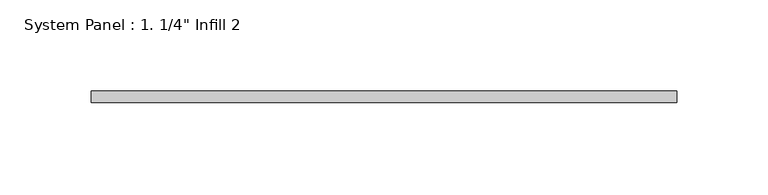
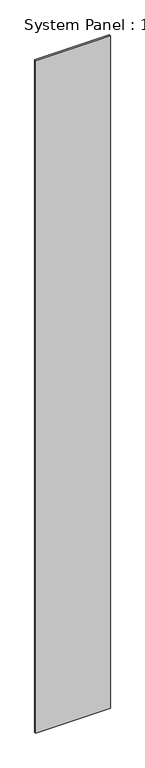
"""IFC4 building model written with IfcOpenShell, lengths in millimetres: plate geometry."""

from ifc_helpers import new_model, si_unit, origin, origin_with_axes, place, context, project, spatial, polyline, outline, extrude, source, transform, mapped, element, save


def plate_3fa92c4c(model_context):
    return source(origin(), model_context, "Body", "SweptSolid", [
        extrude(outline(polyline([(160.3375566, -6.35), (-160.3375566, -6.35), (-160.3375566, 0.0), (160.3375566, 0.0), (160.3375566, -6.35)])), origin_with_axes(), (0.0, 0.0, 1.0), 3048.0),
    ])


if __name__ == "__main__":
    model = new_model("IFC4")
    model_context = context("Model", 3, world=origin())
    ifc_project = project(units=[si_unit("LENGTHUNIT", "METRE", prefix="MILLI")], contexts=[model_context])
    site = spatial("IfcSite", under=ifc_project)
    building = spatial("IfcBuilding", under=site)
    placement = place(None, origin())
    plate_shape = plate_3fa92c4c(model_context)
    element("IfcPlate", 1, ObjectType="System Panel : 1. 1/4\" Infill 2", at=placement, inside=building, context=model_context, shape_type="MappedRepresentation", body=[
        mapped(plate_shape, transform((0.0, 0.0, 0.0), x_axis=(1.0, 0.0, 0.0), y_axis=(0.0, 1.0, 0.0), z_axis=(0.0, 0.0, 1.0))),
    ])
    save(model, "model.ifc")
